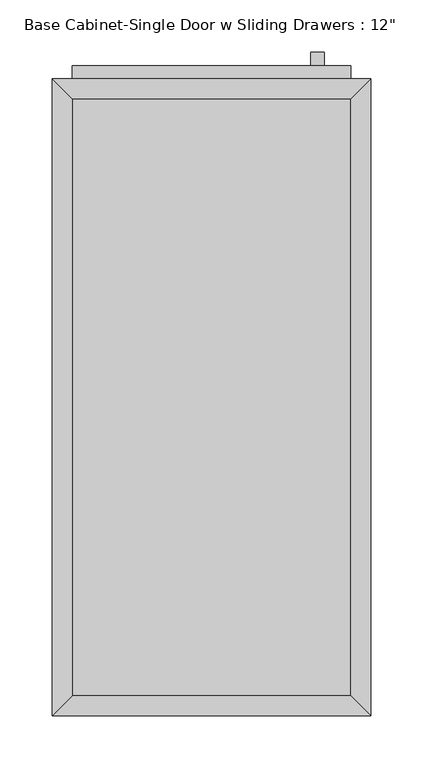
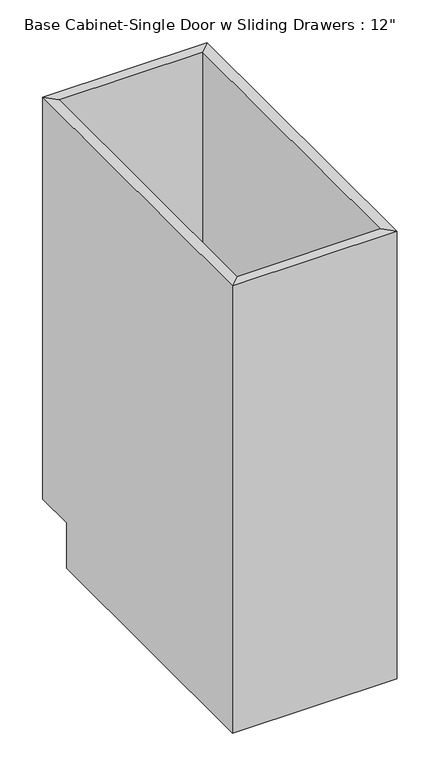
"""IFC4 building model written with IfcOpenShell, lengths in millimetres: furniture geometry."""

from ifc_helpers import new_model, si_unit, frame, origin, place, context, project, spatial, polyline, outline, extrude, faceted_brep, source, transform, mapped, element, save


def furniture_280944bf(model_context):
    return source(origin(), model_context, "Body", "SolidModel", [
        faceted_brep([(152.0877049, 590.55, 876.3), (-114.6122951, 590.55, 876.3), (-114.6122951, 590.55, 88.9), (152.0877049, 590.55, 88.9), (171.1377049, 609.6, 876.3), (-133.6622951, 609.6, 876.3), (171.1377049, 609.6, 88.9), (-133.6622951, 609.6, 88.9), (-114.6122951, 19.05, 876.3), (-114.6122951, 19.05, 88.9), (-114.6122951, 533.4, 88.9), (-133.6622951, 0.0, 876.3), (-133.6622951, 533.4, 88.9), (-133.6622951, 533.4, 0.0), (-133.6622951, 0.0, 0.0), (152.0877049, 19.05, 876.3), (152.0877049, 19.05, 88.9), (171.1377049, 0.0, 876.3), (171.1377049, 0.0, 0.0), (152.0877049, 533.4, 88.9), (171.1377049, 533.4, 0.0), (171.1377049, 533.4, 88.9)], [[[0, 1, 2, 3]], [[0, 4, 5, 1]], [[4, 6, 7, 5]], [[2, 7, 6, 3]], [[1, 8, 9, 10, 2]], [[5, 11, 8, 1]], [[7, 12, 13, 14, 11, 5]], [[2, 10, 12, 7]], [[8, 15, 16, 9]], [[11, 17, 15, 8]], [[14, 18, 17, 11]], [[3, 19, 16, 15, 0]], [[0, 15, 17, 4]], [[4, 17, 18, 20, 21, 6]], [[6, 21, 19, 3]], [[10, 9, 16, 19]], [[18, 14, 13, 20]], [[13, 12, 10, 19, 21, 20]]]),
        extrude(outline(polyline([(152.0877049, 19.05), (-114.6122951, 19.05), (-114.6122951, 590.55), (152.0877049, 590.55), (152.0877049, 19.05)])), frame((0.0, 0.0, 88.9), z_axis=(0.0, 0.0, 1.0), x_axis=(1.0, 0.0, 0.0)), (0.0, 0.0, 1.0), 19.05),
        extrude(outline(polyline([(126.6877049, 635.0), (126.6877049, 622.3), (113.9877049, 622.3), (113.9877049, 635.0), (126.6877049, 635.0)])), frame((0.0, 0.0, 717.55), z_axis=(0.0, 0.0, 1.0), x_axis=(1.0, 0.0, 0.0)), (0.0, 0.0, 1.0), 101.6),
        extrude(outline(polyline([(152.0877049, 622.3), (152.0877049, 609.6), (-114.6122951, 609.6), (-114.6122951, 622.3), (152.0877049, 622.3)])), frame((0.0, 0.0, 107.95), z_axis=(0.0, 0.0, 1.0), x_axis=(1.0, 0.0, 0.0)), (0.0, 0.0, 1.0), 749.3),
    ])


if __name__ == "__main__":
    model = new_model("IFC4")
    model_context = context("Model", 3, world=origin())
    ifc_project = project(units=[si_unit("LENGTHUNIT", "METRE", prefix="MILLI")], contexts=[model_context])
    site = spatial("IfcSite", under=ifc_project)
    building = spatial("IfcBuilding", under=site)
    placement = place(None, origin())
    furniture_shape = furniture_280944bf(model_context)
    element("IfcFurniture", 1, ObjectType="Base Cabinet-Single Door w Sliding Drawers : 12\"", at=placement, inside=building, context=model_context, shape_type="MappedRepresentation", body=[
        mapped(furniture_shape, transform((0.0, 0.0, 0.0), x_axis=(1.0, 0.0, 0.0), y_axis=(0.0, 1.0, 0.0), z_axis=(0.0, 0.0, 1.0))),
    ])
    save(model, "model.ifc")
